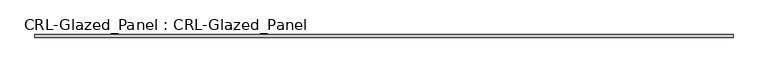
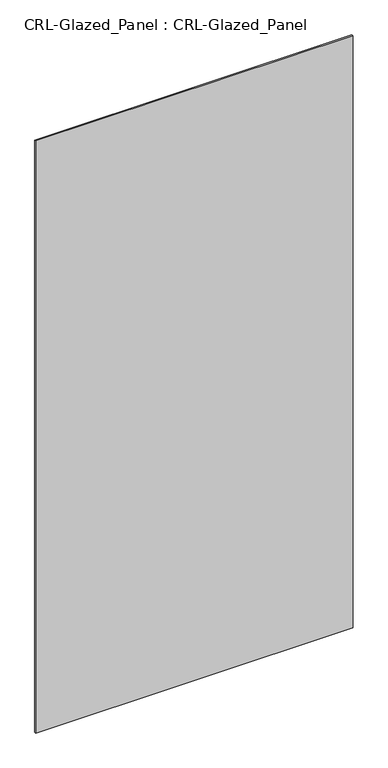
"""IFC4 building model written with IfcOpenShell, lengths in millimetres: plate geometry, CRL-Glazed_Panel : CRL-Glazed_Panel."""

from ifc_helpers import new_model, si_unit, origin, origin_with_axes, place, context, project, spatial, polyline, outline, extrude, source, transform, mapped, element, save


def crl_glazed_panel_crl_glazed_panel_0edab6ef(model_context):
    return source(origin(), model_context, "Body", "SweptSolid", [
        extrude(outline(polyline([(751.9458333, -3.1749999), (-751.9458333, -3.1749999), (-751.9458333, 3.1749999), (751.9458333, 3.1749999), (751.9458333, -3.1749999)])), origin_with_axes(), (0.0, 0.0, 1.0), 2966.24375),
    ])


if __name__ == "__main__":
    model = new_model("IFC4")
    model_context = context("Model", 3, world=origin())
    ifc_project = project(units=[si_unit("LENGTHUNIT", "METRE", prefix="MILLI")], contexts=[model_context])
    site = spatial("IfcSite", under=ifc_project)
    building = spatial("IfcBuilding", under=site)
    placement = place(None, origin())
    crl_glazed_panel_crl_glazed_panel_shape = crl_glazed_panel_crl_glazed_panel_0edab6ef(model_context)
    element("IfcPlate", 1, ObjectType="CRL-Glazed_Panel : CRL-Glazed_Panel", at=placement, inside=building, context=model_context, shape_type="MappedRepresentation", body=[
        mapped(crl_glazed_panel_crl_glazed_panel_shape, transform((0.0, 0.0, 0.0), x_axis=(1.0, 0.0, 0.0), y_axis=(0.0, 1.0, 0.0), z_axis=(0.0, 0.0, 1.0))),
    ])
    save(model, "model.ifc")
